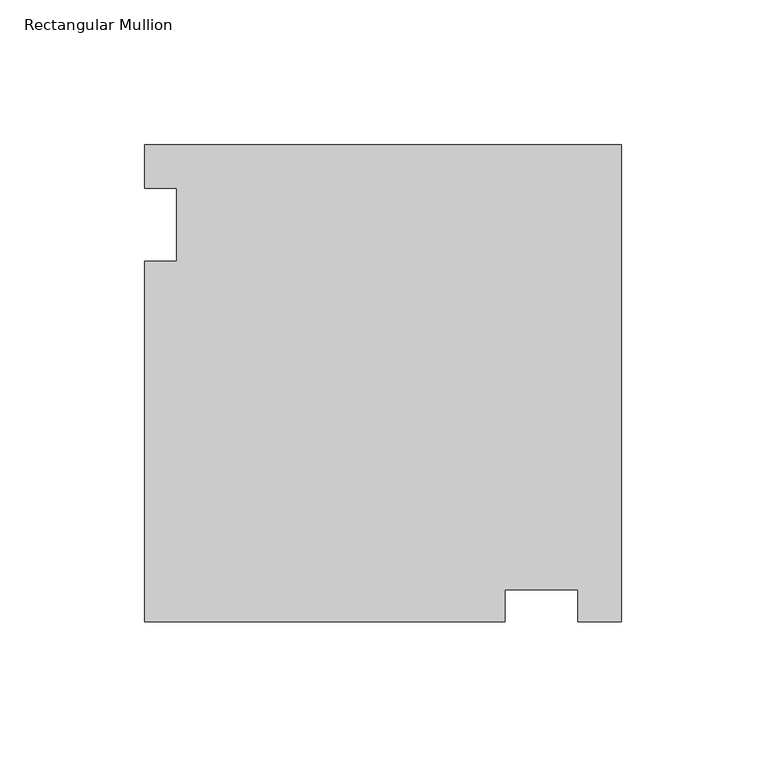
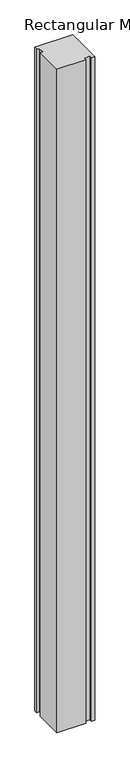
"""IFC4 building model written with IfcOpenShell, lengths in millimetres: member geometry, Rectangular Mullion."""

import ifcopenshell
import ifcopenshell.guid

model = None  # the IFC model being written
_history = None  # IfcOwnerHistory: only IFC2X3 demands one
_inside = {}  # id of a spatial element -> (the spatial element, [elements in it])
_under = {}  # id of a project, library or spatial element -> (it, [spatial elements below it])
_declared = {}  # id of a project -> (the project, [libraries it declares])
_typed = {}  # id of a type object -> (the type object, [elements of that type])
_made_of = {}  # id of a material, layer set ... -> (it, [elements and type objects made of it])


def new_model(schema):
    """Start an empty IFC model of exactly this schema.

    Asked for "IFC4X3", IfcOpenShell would pick the latest addendum, in which some entities
    have other attributes; the version numbers below select the first issue.
    IFC2X3 requires an IfcOwnerHistory on every rooted entity: one is made here for all.
    """
    global model, _history
    if schema == "IFC4X3":
        model = ifcopenshell.file(schema_version=(4, 3, 0, 0))
    else:
        model = ifcopenshell.file(schema=schema)
    _inside.clear()
    _under.clear()
    _declared.clear()
    _typed.clear()
    _made_of.clear()
    _history = None
    if model.schema == "IFC2X3":
        org = make("IfcOrganization", Name="unknown")
        user = make(
            "IfcPersonAndOrganization",
            ThePerson=make("IfcPerson", FamilyName="unknown"),
            TheOrganization=org,
        )
        app = make(
            "IfcApplication",
            ApplicationDeveloper=org,
            Version="unknown",
            ApplicationFullName="unknown",
            ApplicationIdentifier="unknown",
        )
        _history = make(
            "IfcOwnerHistory",
            OwningUser=user,
            OwningApplication=app,
            ChangeAction="ADDED",
            CreationDate=0,
        )
    return model


def make(cls, **values):
    """One entity of the class cls with the attributes given. An attribute that is None is left unset."""
    return model.create_entity(
        cls, **{name: value for name, value in values.items() if value is not None}
    )


def rooted(cls, **values):
    """An entity with a GlobalId (a new one), such as an element, a storey or a relation."""
    return make(cls, GlobalId=ifcopenshell.guid.new(), OwnerHistory=_history, **values)


def si_unit(unit_type, name, prefix=None):
    """IfcSIUnit, for example si_unit("LENGTHUNIT", "METRE", prefix="MILLI")."""
    return make("IfcSIUnit", UnitType=unit_type, Prefix=prefix, Name=name)


def assignment(units):
    """IfcUnitAssignment: the units of a project."""
    return None if units is None else make("IfcUnitAssignment", Units=units)


def point(xyz):
    """IfcCartesianPoint."""
    return None if xyz is None else make("IfcCartesianPoint", Coordinates=xyz)


def direction(xyz):
    """IfcDirection."""
    return None if xyz is None else make("IfcDirection", DirectionRatios=xyz)


def frame(location, z_axis=None, x_axis=None):
    """IfcAxis2Placement3D, a coordinate frame: its origin and axes. An axis left out is left unset."""
    return make(
        "IfcAxis2Placement3D",
        Location=point(location),
        Axis=direction(z_axis),
        RefDirection=direction(x_axis),
    )


def origin():
    """The frame at (0, 0, 0) with its axes left unset."""
    return frame((0.0, 0.0, 0.0))


def place(relative_to, where):
    """IfcLocalPlacement: puts the frame where relative to a parent placement (None: the world)."""
    return make(
        "IfcLocalPlacement", PlacementRelTo=relative_to, RelativePlacement=where
    )


def context(
    kind, dimensions, precision=None, world=None, true_north=None, identifier=None
):
    """IfcGeometricRepresentationContext, for example the 3D "Model" context."""
    return make(
        "IfcGeometricRepresentationContext",
        ContextIdentifier=identifier,
        ContextType=kind,
        CoordinateSpaceDimension=dimensions,
        Precision=precision,
        WorldCoordinateSystem=world,
        TrueNorth=true_north,
    )


def project(units=None, contexts=None):
    """IfcProject with its units and contexts."""
    return rooted(
        "IfcProject",
        Name="project",
        RepresentationContexts=contexts,
        UnitsInContext=assignment(units),
    )


def spatial(cls, under=None, at=None, **own):
    """A site, building, storey or space (cls), placed at a placement, below another one or the project."""
    s = rooted(cls, ObjectPlacement=at, **own)
    if under is not None:
        _under.setdefault(under.id(), (under, []))[1].append(s)
    return s


def polyline(points):
    """IfcPolyline through the points."""
    return make("IfcPolyline", Points=[point(p) for p in points])


def outline(outer, holes=None, kind="AREA"):
    """IfcArbitraryClosedProfileDef: a profile drawn as a closed curve; with holes, ...WithVoids."""
    if holes is None:
        return make("IfcArbitraryClosedProfileDef", ProfileType=kind, OuterCurve=outer)
    return make(
        "IfcArbitraryProfileDefWithVoids",
        ProfileType=kind,
        OuterCurve=outer,
        InnerCurves=holes,
    )


def extrude(swept, where, along, depth):
    """IfcExtrudedAreaSolid: the profile swept, set in the frame where, extruded along a direction by depth."""
    return make(
        "IfcExtrudedAreaSolid",
        SweptArea=swept,
        Position=where,
        ExtrudedDirection=direction(along),
        Depth=depth,
    )


def shape(context_of_items, identifier, shape_type, items):
    """IfcShapeRepresentation: the items that make up one representation, for example the "Body"."""
    return make(
        "IfcShapeRepresentation",
        ContextOfItems=context_of_items,
        RepresentationIdentifier=identifier,
        RepresentationType=shape_type,
        Items=items,
    )


def source(mapping_origin, context_of_items, identifier, shape_type, items):
    """IfcRepresentationMap: a shape defined once, which mapped items show again and again."""
    return make(
        "IfcRepresentationMap",
        MappingOrigin=mapping_origin,
        MappedRepresentation=shape(context_of_items, identifier, shape_type, items),
    )


def transform(
    local_origin,
    x_axis=None,
    y_axis=None,
    z_axis=None,
    scale=None,
    scale2=None,
    scale3=None,
    uniform=True,
):
    """IfcCartesianTransformationOperator3D, or its non-uniform kind. x_axis, y_axis, z_axis: its Axis1, 2, 3."""
    if uniform:
        return make(
            "IfcCartesianTransformationOperator3D",
            Axis1=direction(x_axis),
            Axis2=direction(y_axis),
            LocalOrigin=point(local_origin),
            Scale=scale,
            Axis3=direction(z_axis),
        )
    return make(
        "IfcCartesianTransformationOperator3DnonUniform",
        Axis1=direction(x_axis),
        Axis2=direction(y_axis),
        LocalOrigin=point(local_origin),
        Scale=scale,
        Axis3=direction(z_axis),
        Scale2=scale2,
        Scale3=scale3,
    )


def mapped(mapping_source, mapping_target):
    """IfcMappedItem: shows the shape of a source again, moved by a transform."""
    return make(
        "IfcMappedItem", MappingSource=mapping_source, MappingTarget=mapping_target
    )


def made_of(thing, what):
    """Note that an element or type object is made of a material, layer set ...; save() writes the relation."""
    if what is not None:
        _made_of.setdefault(what.id(), (what, []))[1].append(thing)
    return thing


def element(
    cls,
    number,
    at=None,
    inside=None,
    cuts=None,
    type_object=None,
    material=None,
    context=None,
    identifier="Body",
    shape_type=None,
    held_by="IfcProductDefinitionShape",
    body=None,
    shapes=None,
    **own,
):
    """One element of the class cls, such as IfcWall. Its Tag is "e" and its number.

    at: its placement. inside: the storey or other place that contains it. cuts: it is an
    opening in that element (IfcRelVoidsElement). A single representation is given by context,
    identifier, shape_type and body (its items); several are given by shapes. held_by: the class
    of the entity that holds the representations. save() writes the other relations.
    """
    e = rooted(cls, Tag="e%d" % number, ObjectPlacement=at, **own)
    if body is not None:
        shapes = [shape(context, identifier, shape_type, body)]
    if shapes is not None:
        e.Representation = make(held_by, Representations=shapes)
    if inside is not None:
        _inside.setdefault(inside.id(), (inside, []))[1].append(e)
    if cuts is not None:
        rooted(
            "IfcRelVoidsElement", RelatingBuildingElement=cuts, RelatedOpeningElement=e
        )
    if type_object is not None:
        _typed.setdefault(type_object.id(), (type_object, []))[1].append(e)
    return made_of(e, material)


def aggregate(whole, parts):
    """IfcRelAggregates: a whole, such as a stair, and the parts it consists of."""
    return rooted("IfcRelAggregates", RelatingObject=whole, RelatedObjects=parts)


def save(model, path):
    """Write the relations noted so far, then the file.

    IfcRelAggregates (storeys below a building ...), IfcRelContainedInSpatialStructure (elements
    in a storey), IfcRelDefinesByType, IfcRelAssociatesMaterial and IfcRelDeclares: one each for
    every whole, place, type object, material and project.
    """
    for whole, parts in _under.values():
        aggregate(whole, parts)
    for where, things in _inside.values():
        rooted(
            "IfcRelContainedInSpatialStructure",
            RelatedElements=things,
            RelatingStructure=where,
        )
    for kind, things in _typed.values():
        rooted("IfcRelDefinesByType", RelatedObjects=things, RelatingType=kind)
    for what, things in _made_of.values():
        rooted("IfcRelAssociatesMaterial", RelatedObjects=things, RelatingMaterial=what)
    for by, libraries in _declared.values():
        rooted("IfcRelDeclares", RelatingContext=by, RelatedDefinitions=libraries)
    model.write(path)


def rectangular_mullion_71b3d12e(model_context):
    return source(origin(), model_context, "Body", "SweptSolid", [
        extrude(outline(polyline([(-165.0999861, 27.693093), (-153.9874861, 27.693093), (-153.9874861, 52.9385575), (-165.0999861, 52.9385575), (-165.0999861, 68.048613), (0.0, 68.048613), (0.0, -97.0513731), (-15.1264516, -97.0513731), (-15.1264516, -85.9388731), (-40.35552, -85.9388731), (-40.35552, -97.0513731), (-165.0999861, -97.0513731), (-165.0999861, 27.693093)])), frame((0.0, 0.0, -3048.0), z_axis=(0.0, 0.0, 1.0), x_axis=(1.0, 0.0, 0.0)), (0.0, 0.0, 1.0), 3048.0),
    ])


if __name__ == "__main__":
    model = new_model("IFC4")
    model_context = context("Model", 3, world=origin())
    ifc_project = project(units=[si_unit("LENGTHUNIT", "METRE", prefix="MILLI")], contexts=[model_context])
    site = spatial("IfcSite", under=ifc_project)
    building = spatial("IfcBuilding", under=site)
    placement = place(None, origin())
    rectangular_mullion_shape = rectangular_mullion_71b3d12e(model_context)
    element("IfcMember", 1, ObjectType="Rectangular Mullion", at=placement, inside=building, context=model_context, shape_type="MappedRepresentation", body=[
        mapped(rectangular_mullion_shape, transform((0.0, 0.0, 0.0), x_axis=(1.0, 0.0, 0.0), y_axis=(0.0, 1.0, 0.0), z_axis=(0.0, 0.0, 1.0))),
    ])
    save(model, "model.ifc")
